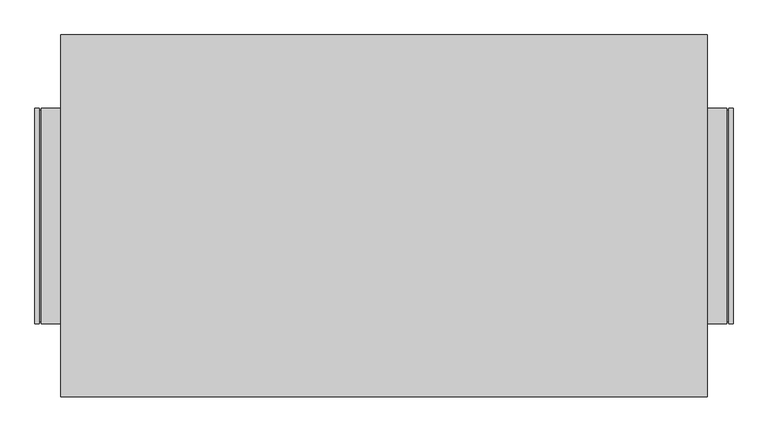
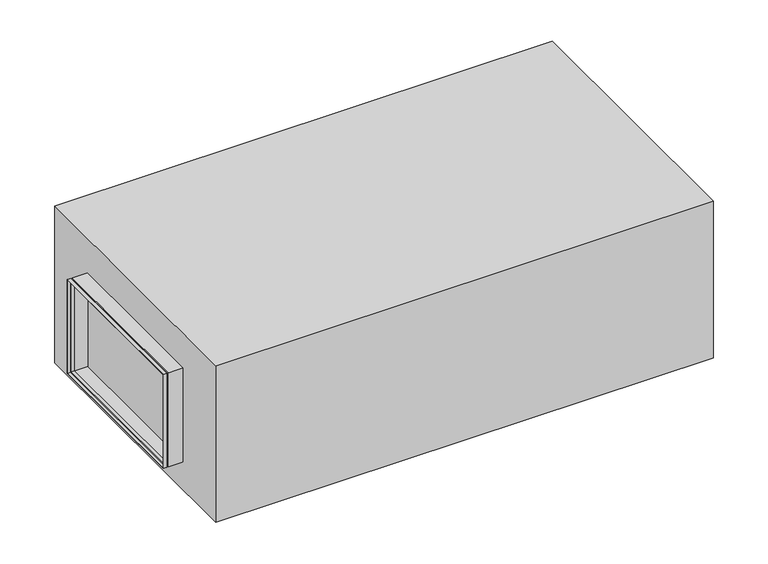
"""IFC4 building model written with IfcOpenShell, lengths in millimetres: proxy geometry."""

from ifc_helpers import new_model, si_unit, origin, origin_with_axes, place, context, project, spatial, polyline, outline, extrude, faceted_brep, source, transform, mapped, element, save


def mechanical_equipment_54267e0e(model_context):
    return source(origin(), model_context, "Body", "SolidModel", [
        faceted_brep([(-800.0, -250.0, 390.0), (-810.0, -250.0, 390.0), (-810.0, -250.0, 90.0), (-800.0, -250.0, 90.0), (-795.0, -245.0, 385.0), (-800.0, -245.0, 385.0), (-800.0, -245.0, 95.0), (-795.0, -245.0, 95.0), (-750.0, -250.0, 390.0), (-795.0, -250.0, 390.0), (-795.0, -250.0, 90.0), (-750.0, -250.0, 90.0), (-793.0, -248.0, 388.0), (-750.0, -248.0, 388.0), (-750.0, -248.0, 92.0), (-793.0, -248.0, 92.0), (-802.0, -243.0, 383.0), (-793.0, -243.0, 383.0), (-793.0, -243.0, 97.0), (-802.0, -243.0, 97.0), (-810.0, -248.0, 388.0), (-802.0, -248.0, 388.0), (-802.0, -248.0, 92.0), (-810.0, -248.0, 92.0), (-810.0, 250.0, 90.0), (-800.0, 250.0, 90.0), (-800.0, 245.0, 95.0), (-795.0, 245.0, 95.0), (-795.0, 250.0, 90.0), (-750.0, 250.0, 90.0), (-750.0, 248.0, 92.0), (-793.0, 248.0, 92.0), (-793.0, 243.0, 97.0), (-802.0, 243.0, 97.0), (-802.0, 248.0, 92.0), (-810.0, 248.0, 92.0), (-810.0, 250.0, 390.0), (-800.0, 250.0, 390.0), (-800.0, 245.0, 385.0), (-795.0, 245.0, 385.0), (-795.0, 250.0, 390.0), (-750.0, 250.0, 390.0), (-750.0, 248.0, 388.0), (-793.0, 248.0, 388.0), (-793.0, 243.0, 383.0), (-802.0, 243.0, 383.0), (-802.0, 248.0, 388.0), (-810.0, 248.0, 388.0)], [[[0, 1, 2, 3]], [[4, 5, 6, 7]], [[8, 9, 10, 11]], [[12, 13, 14, 15]], [[16, 17, 18, 19]], [[20, 21, 22, 23]], [[3, 2, 24, 25]], [[7, 6, 26, 27]], [[11, 10, 28, 29]], [[15, 14, 30, 31]], [[19, 18, 32, 33]], [[23, 22, 34, 35]], [[25, 24, 36, 37]], [[27, 26, 38, 39]], [[29, 28, 40, 41]], [[31, 30, 42, 43]], [[33, 32, 44, 45]], [[35, 34, 46, 47]], [[37, 36, 1, 0]], [[3, 25, 37, 0], [5, 38, 26, 6]], [[39, 38, 5, 4]], [[9, 40, 28, 10], [7, 27, 39, 4]], [[41, 40, 9, 8]], [[11, 29, 41, 8], [13, 42, 30, 14]], [[43, 42, 13, 12]], [[15, 31, 43, 12], [17, 44, 32, 18]], [[45, 44, 17, 16]], [[21, 46, 34, 22], [19, 33, 45, 16]], [[47, 46, 21, 20]], [[1, 36, 24, 2], [23, 35, 47, 20]]]),
        faceted_brep([(800.0, 250.0, 390.0), (810.0, 250.0, 390.0), (810.0, 250.0, 90.0), (800.0, 250.0, 90.0), (795.0, 245.0, 385.0), (800.0, 245.0, 385.0), (800.0, 245.0, 95.0), (795.0, 245.0, 95.0), (750.0, 250.0, 390.0), (795.0, 250.0, 390.0), (795.0, 250.0, 90.0), (750.0, 250.0, 90.0), (793.0, 248.0, 388.0), (750.0, 248.0, 388.0), (750.0, 248.0, 92.0), (793.0, 248.0, 92.0), (802.0, 243.0, 383.0), (793.0, 243.0, 383.0), (793.0, 243.0, 97.0), (802.0, 243.0, 97.0), (810.0, 248.0, 388.0), (802.0, 248.0, 388.0), (802.0, 248.0, 92.0), (810.0, 248.0, 92.0), (810.0, -250.0, 90.0), (800.0, -250.0, 90.0), (800.0, -245.0, 95.0), (795.0, -245.0, 95.0), (795.0, -250.0, 90.0), (750.0, -250.0, 90.0), (750.0, -248.0, 92.0), (793.0, -248.0, 92.0), (793.0, -243.0, 97.0), (802.0, -243.0, 97.0), (802.0, -248.0, 92.0), (810.0, -248.0, 92.0), (810.0, -250.0, 390.0), (800.0, -250.0, 390.0), (800.0, -245.0, 385.0), (795.0, -245.0, 385.0), (795.0, -250.0, 390.0), (750.0, -250.0, 390.0), (750.0, -248.0, 388.0), (793.0, -248.0, 388.0), (793.0, -243.0, 383.0), (802.0, -243.0, 383.0), (802.0, -248.0, 388.0), (810.0, -248.0, 388.0)], [[[0, 1, 2, 3]], [[4, 5, 6, 7]], [[8, 9, 10, 11]], [[12, 13, 14, 15]], [[16, 17, 18, 19]], [[20, 21, 22, 23]], [[3, 2, 24, 25]], [[7, 6, 26, 27]], [[11, 10, 28, 29]], [[15, 14, 30, 31]], [[19, 18, 32, 33]], [[23, 22, 34, 35]], [[25, 24, 36, 37]], [[27, 26, 38, 39]], [[29, 28, 40, 41]], [[31, 30, 42, 43]], [[33, 32, 44, 45]], [[35, 34, 46, 47]], [[37, 36, 1, 0]], [[3, 25, 37, 0], [5, 38, 26, 6]], [[39, 38, 5, 4]], [[9, 40, 28, 10], [7, 27, 39, 4]], [[41, 40, 9, 8]], [[11, 29, 41, 8], [13, 42, 30, 14]], [[43, 42, 13, 12]], [[15, 31, 43, 12], [17, 44, 32, 18]], [[45, 44, 17, 16]], [[21, 46, 34, 22], [19, 33, 45, 16]], [[47, 46, 21, 20]], [[1, 36, 24, 2], [23, 35, 47, 20]]]),
        extrude(outline(polyline([(-750.0, -420.0), (-750.0, 420.0), (750.0, 420.0), (750.0, -420.0), (-750.0, -420.0)])), origin_with_axes(), (0.0, 0.0, 1.0), 500.0),
    ])


if __name__ == "__main__":
    model = new_model("IFC4")
    model_context = context("Model", 3, world=origin())
    ifc_project = project(units=[si_unit("LENGTHUNIT", "METRE", prefix="MILLI")], contexts=[model_context])
    site = spatial("IfcSite", under=ifc_project)
    building = spatial("IfcBuilding", under=site)
    placement = place(None, origin())
    mechanical_equipment_shape = mechanical_equipment_54267e0e(model_context)
    element("IfcBuildingElementProxy", 1, Name="Mechanical Equipment", at=placement, inside=building, context=model_context, shape_type="MappedRepresentation", body=[
        mapped(mechanical_equipment_shape, transform((0.0, 0.0, 0.0), x_axis=(1.0, 0.0, 0.0), y_axis=(0.0, 1.0, 0.0), z_axis=(0.0, 0.0, 1.0))),
    ])
    save(model, "model.ifc")
